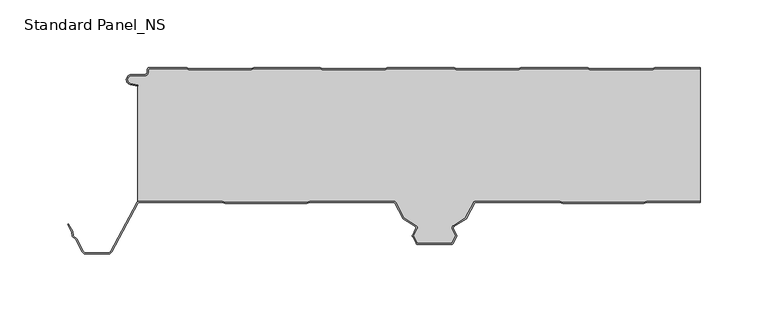
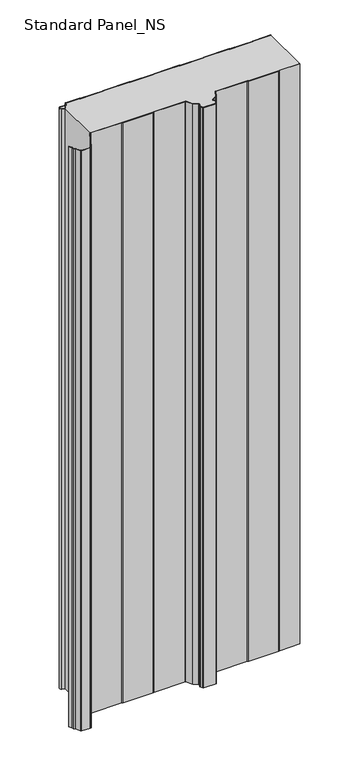
"""IFC4 building model written with IfcOpenShell, lengths in millimetres: proxy geometry, Standard Panel_NS."""

import ifcopenshell
import ifcopenshell.guid

model = None  # the IFC model being written
_history = None  # IfcOwnerHistory: only IFC2X3 demands one
_inside = {}  # id of a spatial element -> (the spatial element, [elements in it])
_under = {}  # id of a project, library or spatial element -> (it, [spatial elements below it])
_declared = {}  # id of a project -> (the project, [libraries it declares])
_typed = {}  # id of a type object -> (the type object, [elements of that type])
_made_of = {}  # id of a material, layer set ... -> (it, [elements and type objects made of it])


def new_model(schema):
    """Start an empty IFC model of exactly this schema.

    Asked for "IFC4X3", IfcOpenShell would pick the latest addendum, in which some entities
    have other attributes; the version numbers below select the first issue.
    IFC2X3 requires an IfcOwnerHistory on every rooted entity: one is made here for all.
    """
    global model, _history
    if schema == "IFC4X3":
        model = ifcopenshell.file(schema_version=(4, 3, 0, 0))
    else:
        model = ifcopenshell.file(schema=schema)
    _inside.clear()
    _under.clear()
    _declared.clear()
    _typed.clear()
    _made_of.clear()
    _history = None
    if model.schema == "IFC2X3":
        org = make("IfcOrganization", Name="unknown")
        user = make(
            "IfcPersonAndOrganization",
            ThePerson=make("IfcPerson", FamilyName="unknown"),
            TheOrganization=org,
        )
        app = make(
            "IfcApplication",
            ApplicationDeveloper=org,
            Version="unknown",
            ApplicationFullName="unknown",
            ApplicationIdentifier="unknown",
        )
        _history = make(
            "IfcOwnerHistory",
            OwningUser=user,
            OwningApplication=app,
            ChangeAction="ADDED",
            CreationDate=0,
        )
    return model


def make(cls, **values):
    """One entity of the class cls with the attributes given. An attribute that is None is left unset."""
    return model.create_entity(
        cls, **{name: value for name, value in values.items() if value is not None}
    )


def rooted(cls, **values):
    """An entity with a GlobalId (a new one), such as an element, a storey or a relation."""
    return make(cls, GlobalId=ifcopenshell.guid.new(), OwnerHistory=_history, **values)


def si_unit(unit_type, name, prefix=None):
    """IfcSIUnit, for example si_unit("LENGTHUNIT", "METRE", prefix="MILLI")."""
    return make("IfcSIUnit", UnitType=unit_type, Prefix=prefix, Name=name)


def assignment(units):
    """IfcUnitAssignment: the units of a project."""
    return None if units is None else make("IfcUnitAssignment", Units=units)


def point(xyz):
    """IfcCartesianPoint."""
    return None if xyz is None else make("IfcCartesianPoint", Coordinates=xyz)


def direction(xyz):
    """IfcDirection."""
    return None if xyz is None else make("IfcDirection", DirectionRatios=xyz)


def frame(location, z_axis=None, x_axis=None):
    """IfcAxis2Placement3D, a coordinate frame: its origin and axes. An axis left out is left unset."""
    return make(
        "IfcAxis2Placement3D",
        Location=point(location),
        Axis=direction(z_axis),
        RefDirection=direction(x_axis),
    )


def frame_2d(location, x_axis=None):
    """IfcAxis2Placement2D, a coordinate frame in the plane: its origin and x axis."""
    return make(
        "IfcAxis2Placement2D", Location=point(location), RefDirection=direction(x_axis)
    )


def origin():
    """The frame at (0, 0, 0) with its axes left unset."""
    return frame((0.0, 0.0, 0.0))


def origin_with_axes():
    """The frame at (0, 0, 0) with the z axis (0, 0, 1) and the x axis (1, 0, 0) written out."""
    return frame((0.0, 0.0, 0.0), z_axis=(0.0, 0.0, 1.0), x_axis=(1.0, 0.0, 0.0))


def place(relative_to, where):
    """IfcLocalPlacement: puts the frame where relative to a parent placement (None: the world)."""
    return make(
        "IfcLocalPlacement", PlacementRelTo=relative_to, RelativePlacement=where
    )


def context(
    kind, dimensions, precision=None, world=None, true_north=None, identifier=None
):
    """IfcGeometricRepresentationContext, for example the 3D "Model" context."""
    return make(
        "IfcGeometricRepresentationContext",
        ContextIdentifier=identifier,
        ContextType=kind,
        CoordinateSpaceDimension=dimensions,
        Precision=precision,
        WorldCoordinateSystem=world,
        TrueNorth=true_north,
    )


def project(units=None, contexts=None):
    """IfcProject with its units and contexts."""
    return rooted(
        "IfcProject",
        Name="project",
        RepresentationContexts=contexts,
        UnitsInContext=assignment(units),
    )


def spatial(cls, under=None, at=None, **own):
    """A site, building, storey or space (cls), placed at a placement, below another one or the project."""
    s = rooted(cls, ObjectPlacement=at, **own)
    if under is not None:
        _under.setdefault(under.id(), (under, []))[1].append(s)
    return s


def polyline(points):
    """IfcPolyline through the points."""
    return make("IfcPolyline", Points=[point(p) for p in points])


def circle_curve(where, radius):
    """IfcCircle in the frame where."""
    return make("IfcCircle", Position=where, Radius=radius)


def trimmed(basis, trim1, trim2, sense, master):
    """IfcTrimmedCurve: the piece of a basis curve between two trims."""
    return make(
        "IfcTrimmedCurve",
        BasisCurve=basis,
        Trim1=trim1,
        Trim2=trim2,
        SenseAgreement=sense,
        MasterRepresentation=master,
    )


def segment(curve, same_sense, transition):
    """IfcCompositeCurveSegment."""
    return make(
        "IfcCompositeCurveSegment",
        Transition=transition,
        SameSense=same_sense,
        ParentCurve=curve,
    )


def composite_curve(segments, self_intersect=None):
    """IfcCompositeCurve: segments joined end to end."""
    return make("IfcCompositeCurve", Segments=segments, SelfIntersect=self_intersect)


def outline(outer, holes=None, kind="AREA"):
    """IfcArbitraryClosedProfileDef: a profile drawn as a closed curve; with holes, ...WithVoids."""
    if holes is None:
        return make("IfcArbitraryClosedProfileDef", ProfileType=kind, OuterCurve=outer)
    return make(
        "IfcArbitraryProfileDefWithVoids",
        ProfileType=kind,
        OuterCurve=outer,
        InnerCurves=holes,
    )


def extrude(swept, where, along, depth):
    """IfcExtrudedAreaSolid: the profile swept, set in the frame where, extruded along a direction by depth."""
    return make(
        "IfcExtrudedAreaSolid",
        SweptArea=swept,
        Position=where,
        ExtrudedDirection=direction(along),
        Depth=depth,
    )


def shape(context_of_items, identifier, shape_type, items):
    """IfcShapeRepresentation: the items that make up one representation, for example the "Body"."""
    return make(
        "IfcShapeRepresentation",
        ContextOfItems=context_of_items,
        RepresentationIdentifier=identifier,
        RepresentationType=shape_type,
        Items=items,
    )


def source(mapping_origin, context_of_items, identifier, shape_type, items):
    """IfcRepresentationMap: a shape defined once, which mapped items show again and again."""
    return make(
        "IfcRepresentationMap",
        MappingOrigin=mapping_origin,
        MappedRepresentation=shape(context_of_items, identifier, shape_type, items),
    )


def transform(
    local_origin,
    x_axis=None,
    y_axis=None,
    z_axis=None,
    scale=None,
    scale2=None,
    scale3=None,
    uniform=True,
):
    """IfcCartesianTransformationOperator3D, or its non-uniform kind. x_axis, y_axis, z_axis: its Axis1, 2, 3."""
    if uniform:
        return make(
            "IfcCartesianTransformationOperator3D",
            Axis1=direction(x_axis),
            Axis2=direction(y_axis),
            LocalOrigin=point(local_origin),
            Scale=scale,
            Axis3=direction(z_axis),
        )
    return make(
        "IfcCartesianTransformationOperator3DnonUniform",
        Axis1=direction(x_axis),
        Axis2=direction(y_axis),
        LocalOrigin=point(local_origin),
        Scale=scale,
        Axis3=direction(z_axis),
        Scale2=scale2,
        Scale3=scale3,
    )


def mapped(mapping_source, mapping_target):
    """IfcMappedItem: shows the shape of a source again, moved by a transform."""
    return make(
        "IfcMappedItem", MappingSource=mapping_source, MappingTarget=mapping_target
    )


def made_of(thing, what):
    """Note that an element or type object is made of a material, layer set ...; save() writes the relation."""
    if what is not None:
        _made_of.setdefault(what.id(), (what, []))[1].append(thing)
    return thing


def element(
    cls,
    number,
    at=None,
    inside=None,
    cuts=None,
    type_object=None,
    material=None,
    context=None,
    identifier="Body",
    shape_type=None,
    held_by="IfcProductDefinitionShape",
    body=None,
    shapes=None,
    **own,
):
    """One element of the class cls, such as IfcWall. Its Tag is "e" and its number.

    at: its placement. inside: the storey or other place that contains it. cuts: it is an
    opening in that element (IfcRelVoidsElement). A single representation is given by context,
    identifier, shape_type and body (its items); several are given by shapes. held_by: the class
    of the entity that holds the representations. save() writes the other relations.
    """
    e = rooted(cls, Tag="e%d" % number, ObjectPlacement=at, **own)
    if body is not None:
        shapes = [shape(context, identifier, shape_type, body)]
    if shapes is not None:
        e.Representation = make(held_by, Representations=shapes)
    if inside is not None:
        _inside.setdefault(inside.id(), (inside, []))[1].append(e)
    if cuts is not None:
        rooted(
            "IfcRelVoidsElement", RelatingBuildingElement=cuts, RelatedOpeningElement=e
        )
    if type_object is not None:
        _typed.setdefault(type_object.id(), (type_object, []))[1].append(e)
    return made_of(e, material)


def aggregate(whole, parts):
    """IfcRelAggregates: a whole, such as a stair, and the parts it consists of."""
    return rooted("IfcRelAggregates", RelatingObject=whole, RelatedObjects=parts)


def save(model, path):
    """Write the relations noted so far, then the file.

    IfcRelAggregates (storeys below a building ...), IfcRelContainedInSpatialStructure (elements
    in a storey), IfcRelDefinesByType, IfcRelAssociatesMaterial and IfcRelDeclares: one each for
    every whole, place, type object, material and project.
    """
    for whole, parts in _under.values():
        aggregate(whole, parts)
    for where, things in _inside.values():
        rooted(
            "IfcRelContainedInSpatialStructure",
            RelatedElements=things,
            RelatingStructure=where,
        )
    for kind, things in _typed.values():
        rooted("IfcRelDefinesByType", RelatedObjects=things, RelatingType=kind)
    for what, things in _made_of.values():
        rooted("IfcRelAssociatesMaterial", RelatedObjects=things, RelatingMaterial=what)
    for by, libraries in _declared.values():
        rooted("IfcRelDeclares", RelatingContext=by, RelatedDefinitions=libraries)
    model.write(path)


def standard_panel_ns_b9d39c87(model_context):
    return source(origin(), model_context, "Body", "SweptSolid", [
        extrude(outline(composite_curve([segment(polyline([(189.9831604, 0.0), (223.9042607, 0.0), (223.9042607, -0.8), (190.1930584, -0.8), (188.4185569, -1.8), (141.9945958, -1.8), (140.262545, -0.8), (91.1930584, -0.8), (89.4185569, -1.8), (42.9945958, -1.8), (41.262545, -0.8), (-7.8087363, -0.8), (-9.5407871, -1.8), (-56.0054042, -1.8), (-57.737455, -0.786297), (-106.8069416, -0.786297), (-108.5814431, -1.786297), (-155.0054042, -1.786297), (-156.737455, -0.786297), (-183.7507504, -0.786297)]), True, "CONTINUOUS"), segment(trimmed(circle_curve(frame_2d((-183.7507504, -2.036297)), 1.25), [point((-183.7507504, -0.786297))], [point((-185.0007504, -2.036297))], True, "CARTESIAN"), True, "CONTINUOUS"), segment(polyline([(-185.0007504, -2.036297), (-185.0007504, -3.436297)]), True, "CONTINUOUS"), segment(trimmed(circle_curve(frame_2d((-187.7507504, -3.436297)), 2.75), [point((-185.0007504, -3.436297))], [point((-187.7507504, -6.186297))], False, "CARTESIAN"), True, "CONTINUOUS"), segment(polyline([(-187.7507504, -6.186297), (-197.5507504, -6.186297)]), True, "CONTINUOUS"), segment(trimmed(circle_curve(frame_2d((-197.5507504, -9.036297)), 2.85), [point((-197.5507504, -6.186297))], [point((-198.1918609, -11.8132517))], True, "CARTESIAN"), True, "CONTINUOUS"), segment(polyline([(-198.1918609, -11.8132517), (-192.7486452, -13.0699171), (-192.9286061, -13.8494131), (-198.3718217, -12.5927478)]), True, "CONTINUOUS"), segment(trimmed(circle_curve(frame_2d((-197.5507504, -9.036297)), 3.65), [point((-198.3718217, -12.5927478))], [point((-197.5507504, -5.386297))], False, "CARTESIAN"), True, "CONTINUOUS"), segment(polyline([(-197.5507504, -5.386297), (-187.7507504, -5.386297)]), True, "CONTINUOUS"), segment(trimmed(circle_curve(frame_2d((-187.7507504, -3.436297)), 1.95), [point((-187.7507504, -5.386297))], [point((-185.8007504, -3.436297))], True, "CARTESIAN"), True, "CONTINUOUS"), segment(polyline([(-185.8007504, -3.436297), (-185.8007504, -2.036297)]), True, "CONTINUOUS"), segment(trimmed(circle_curve(frame_2d((-183.7507504, -2.036297)), 2.05), [point((-185.8007504, -2.036297))], [point((-183.7507504, 0.013703))], False, "CARTESIAN"), True, "CONTINUOUS"), segment(polyline([(-183.7507504, 0.013703), (-156.5230957, 0.013703), (-154.7910449, -0.986297), (-108.7913411, -0.986297), (-107.0168396, 0.013703), (-57.5230957, 0.013703), (-55.7910449, -1.0), (-9.7551465, -1.0), (-8.0230957, 0.0), (41.4769043, 0.0), (43.2089551, -1.0), (89.2086589, -1.0), (90.9831604, 0.0), (140.4769043, 0.0), (142.2089551, -1.0), (188.2086589, -1.0), (189.9831604, 0.0)]), True, "CONTINUOUS")], self_intersect=False)), origin_with_axes(), (0.0, 0.0, 1.0), 1219.2),
        extrude(outline(composite_curve([segment(trimmed(circle_curve(frame_2d((-191.3607504, -101.75)), 1.75), [point((-191.3607504, -100.0))], [point((-192.9059087, -100.9284248))], True, "CARTESIAN"), True, "CONTINUOUS"), segment(polyline([(-192.9059087, -100.9284248), (-212.0091432, -136.8563836)]), True, "CONTINUOUS"), segment(trimmed(circle_curve(frame_2d((-214.5255439, -135.5183897)), 2.85), [point((-212.0091432, -136.8563836))], [point((-214.5255439, -138.3683897))], False, "CARTESIAN"), True, "CONTINUOUS"), segment(polyline([(-214.5255439, -138.3683897), (-231.2663514, -138.3683897)]), True, "CONTINUOUS"), segment(trimmed(circle_curve(frame_2d((-231.2663514, -135.5183897)), 2.85), [point((-231.2663514, -138.3683897))], [point((-233.782752, -136.8563836))], False, "CARTESIAN"), True, "CONTINUOUS"), segment(polyline([(-233.782752, -136.8563836), (-238.6671014, -127.6702585), (-241.084649, -125.3708693), (-241.6820111, -122.000038), (-244.7505404, -116.2289737), (-244.0441824, -115.8533964), (-240.9163332, -121.7360251), (-240.3428004, -124.9723908), (-238.0216911, -127.1800551), (-233.076394, -136.4808064)]), True, "CONTINUOUS"), segment(trimmed(circle_curve(frame_2d((-231.2663514, -135.5183897)), 2.05), [point((-233.076394, -136.4808064))], [point((-231.2663514, -137.5683897))], True, "CARTESIAN"), True, "CONTINUOUS"), segment(polyline([(-231.2663514, -137.5683897), (-214.5255439, -137.5683897)]), True, "CONTINUOUS"), segment(trimmed(circle_curve(frame_2d((-214.5255439, -135.5183897)), 2.05), [point((-214.5255439, -137.5683897))], [point((-212.7155013, -136.4808064))], True, "CARTESIAN"), True, "CONTINUOUS"), segment(polyline([(-212.7155013, -136.4808064), (-193.6122667, -100.5528475)]), True, "CONTINUOUS"), segment(trimmed(circle_curve(frame_2d((-191.3607504, -101.75)), 2.55), [point((-193.6122667, -100.5528475))], [point((-191.3607504, -99.2))], False, "CARTESIAN"), True, "CONTINUOUS"), segment(polyline([(-191.3607504, -99.2), (-130.0661789, -99.2), (-127.6845456, -100.1683897), (-67.8932049, -100.1683897), (-65.5115715, -99.2), (-3.3723047, -99.2)]), True, "CONTINUOUS"), segment(trimmed(circle_curve(frame_2d((-3.3750906, -100.9999978)), 1.8), [point((-3.3723047, -99.2))], [point((-1.7857934, -100.1549332))], False, "CARTESIAN"), True, "CONTINUOUS"), segment(polyline([(-1.7857934, -100.1549332), (4.3386275, -111.6730163), (13.3220194, -117.3606338)]), True, "CONTINUOUS"), segment(trimmed(circle_curve(frame_2d((12.3591509, -118.8814507)), 1.8), [point((13.3220194, -117.3606338))], [point((13.9681734, -119.6883253))], False, "CARTESIAN"), True, "CONTINUOUS"), segment(polyline([(13.9681734, -119.6883253), (11.3711036, -124.8672514), (14.3485893, -130.4669529), (39.8425575, -130.4669529), (42.8256576, -124.8564238), (40.2338477, -119.6882431)]), True, "CONTINUOUS"), segment(trimmed(circle_curve(frame_2d((41.8428542, -118.8813366)), 1.8), [point((40.2338477, -119.6882431))], [point((40.8799555, -117.3605387))], False, "CARTESIAN"), True, "CONTINUOUS"), segment(polyline([(40.8799555, -117.3605387), (49.8465774, -111.6832892), (55.9762236, -100.1548264)]), True, "CONTINUOUS"), segment(trimmed(circle_curve(frame_2d((57.5653038, -100.9997352)), 1.7997352), [point((55.9762236, -100.1548264))], [point((57.5653038, -99.2))], False, "CARTESIAN"), True, "CONTINUOUS"), segment(polyline([(57.5653038, -99.2), (119.7028683, -99.2), (122.0845088, -100.1683897), (181.8758496, -100.1683897), (184.2574895, -99.2), (223.9042607, -99.2), (223.9042607, -100.0), (184.4139138, -100.0), (182.032274, -100.9683897), (121.9280844, -100.9683897), (119.546444, -99.9999999), (57.5653038, -99.9999999)]), True, "CONTINUOUS"), segment(trimmed(circle_curve(frame_2d((57.5653038, -100.9997352)), 0.9997353), [point((57.5653038, -99.9999999))], [point((56.6825853, -100.5303966))], True, "CARTESIAN"), True, "CONTINUOUS"), segment(polyline([(56.6825853, -100.5303966), (50.4534972, -112.2458871), (41.3079104, -118.0364489)]), True, "CONTINUOUS"), segment(trimmed(circle_curve(frame_2d((41.8428542, -118.8813366)), 1.0), [point((41.3079104, -118.0364489))], [point((40.9489617, -119.329618))], True, "CARTESIAN"), True, "CONTINUOUS"), segment(polyline([(40.9489617, -119.329618), (43.4944639, -124.4054592)]), True, "CONTINUOUS"), segment(trimmed(circle_curve(frame_2d((42.6005714, -124.8537406)), 1.0), [point((43.4944639, -124.4054592))], [point((43.4835237, -125.3232034))], False, "CARTESIAN"), True, "CONTINUOUS"), segment(polyline([(43.4835237, -125.3232034), (40.7463788, -130.4711471)]), True, "CONTINUOUS"), segment(trimmed(circle_curve(frame_2d((39.4219504, -129.7669529)), 1.5), [point((40.7463788, -130.4711471))], [point((39.4219504, -131.2669529))], False, "CARTESIAN"), True, "CONTINUOUS"), segment(polyline([(39.4219504, -131.2669529), (14.7964212, -131.2669529)]), True, "CONTINUOUS"), segment(trimmed(circle_curve(frame_2d((14.7693172, -129.7671978)), 1.5), [point((14.7964212, -131.2669529))], [point((13.4449029, -130.4714183))], False, "CARTESIAN"), True, "CONTINUOUS"), segment(polyline([(13.4449029, -130.4714183), (10.7132468, -125.3340441)]), True, "CONTINUOUS"), segment(trimmed(circle_curve(frame_2d((11.5961897, -124.8645637)), 1.0), [point((10.7132468, -125.3340441))], [point((10.7022883, -124.4163001))], False, "CARTESIAN"), True, "CONTINUOUS"), segment(polyline([(10.7022883, -124.4163001), (13.2530523, -119.3297144)]), True, "CONTINUOUS"), segment(trimmed(circle_curve(frame_2d((12.3591509, -118.8814507)), 1.0), [point((13.2530523, -119.3297144))], [point((12.8940779, -118.0365524))], True, "CARTESIAN"), True, "CONTINUOUS"), segment(polyline([(12.8940779, -118.0365524), (3.7317189, -112.2356263), (-2.4921477, -100.5305175)]), True, "CONTINUOUS"), segment(trimmed(circle_curve(frame_2d((-3.3750906, -100.9999978)), 1.0), [point((-2.4921477, -100.5305175))], [point((-3.3730141, -100.0))], True, "CARTESIAN"), True, "CONTINUOUS"), segment(polyline([(-3.3730141, -100.0), (-65.3551468, -100.0), (-67.7367801, -100.9683897), (-127.8409703, -100.9683897), (-130.2226037, -100.0), (-191.3607504, -100.0)]), True, "CONTINUOUS")], self_intersect=False)), origin_with_axes(), (0.0, 0.0, 1.0), 1219.2),
        extrude(outline(composite_curve([segment(trimmed(circle_curve(frame_2d((-191.3607504, -101.75)), 2.55), [point((-191.3607504, -99.2))], [point((-192.7486452, -99.6107833))], True, "CARTESIAN"), True, "CONTINUOUS"), segment(polyline([(-192.7486452, -99.6107833), (-192.7486452, -13.0699171), (-198.1918609, -11.8132517)]), True, "CONTINUOUS"), segment(trimmed(circle_curve(frame_2d((-197.5507504, -9.036297)), 2.85), [point((-198.1918609, -11.8132517))], [point((-197.5507504, -6.186297))], False, "CARTESIAN"), True, "CONTINUOUS"), segment(polyline([(-197.5507504, -6.186297), (-187.7507504, -6.186297)]), True, "CONTINUOUS"), segment(trimmed(circle_curve(frame_2d((-187.7507504, -3.436297)), 2.75), [point((-187.7507504, -6.186297))], [point((-185.0007504, -3.436297))], True, "CARTESIAN"), True, "CONTINUOUS"), segment(polyline([(-185.0007504, -3.436297), (-185.0007504, -2.036297)]), True, "CONTINUOUS"), segment(trimmed(circle_curve(frame_2d((-183.7507504, -2.036297)), 1.25), [point((-185.0007504, -2.036297))], [point((-183.7507504, -0.786297))], False, "CARTESIAN"), True, "CONTINUOUS"), segment(polyline([(-183.7507504, -0.786297), (-156.737455, -0.786297), (-155.0054042, -1.786297), (-108.5814431, -1.786297), (-106.8069416, -0.786297), (-57.737455, -0.786297), (-56.0054042, -1.8), (-9.5407871, -1.8), (-7.8087363, -0.8), (41.262545, -0.8), (42.9945958, -1.8), (89.4185569, -1.8), (91.1930584, -0.8), (140.262545, -0.8), (141.9945958, -1.8), (188.4185569, -1.8), (190.1930584, -0.8), (223.9042607, -0.8), (223.9042607, -99.2), (184.2574895, -99.2), (181.8758496, -100.1683897), (122.0845088, -100.1683897), (119.7028683, -99.2), (57.5653038, -99.2)]), True, "CONTINUOUS"), segment(trimmed(circle_curve(frame_2d((57.5653038, -100.9997352)), 1.7997352), [point((57.5653038, -99.2))], [point((55.9762236, -100.1548264))], True, "CARTESIAN"), True, "CONTINUOUS"), segment(polyline([(55.9762236, -100.1548264), (49.8465774, -111.6832892), (40.8799555, -117.3605387)]), True, "CONTINUOUS"), segment(trimmed(circle_curve(frame_2d((41.8428542, -118.8813366)), 1.8), [point((40.8799555, -117.3605387))], [point((40.2338477, -119.6882431))], True, "CARTESIAN"), True, "CONTINUOUS"), segment(polyline([(40.2338477, -119.6882431), (42.8256576, -124.8564238), (39.8425575, -130.4669529), (14.3485893, -130.4669529), (11.3711036, -124.8672514), (13.9681734, -119.6883253)]), True, "CONTINUOUS"), segment(trimmed(circle_curve(frame_2d((12.3591509, -118.8814507)), 1.8), [point((13.9681734, -119.6883253))], [point((13.3220194, -117.3606338))], True, "CARTESIAN"), True, "CONTINUOUS"), segment(polyline([(13.3220194, -117.3606338), (4.3386275, -111.6730163), (-1.7857934, -100.1549332)]), True, "CONTINUOUS"), segment(trimmed(circle_curve(frame_2d((-3.3750906, -100.9999978)), 1.8), [point((-1.7857934, -100.1549332))], [point((-3.3723047, -99.2))], True, "CARTESIAN"), True, "CONTINUOUS"), segment(polyline([(-3.3723047, -99.2), (-65.5115715, -99.2), (-67.8932049, -100.1683897), (-127.6845456, -100.1683897), (-130.0661789, -99.2), (-191.3607504, -99.2)]), True, "CONTINUOUS")], self_intersect=False)), origin_with_axes(), (0.0, 0.0, 1.0), 1219.2),
    ])


if __name__ == "__main__":
    model = new_model("IFC4")
    model_context = context("Model", 3, world=origin())
    ifc_project = project(units=[si_unit("LENGTHUNIT", "METRE", prefix="MILLI")], contexts=[model_context])
    site = spatial("IfcSite", under=ifc_project)
    building = spatial("IfcBuilding", under=site)
    placement = place(None, origin())
    standard_panel_ns_shape = standard_panel_ns_b9d39c87(model_context)
    element("IfcBuildingElementProxy", 1, Name="Standard Panel_NS", ObjectType="Standard Panel_NS", at=placement, inside=building, context=model_context, shape_type="MappedRepresentation", body=[
        mapped(standard_panel_ns_shape, transform((0.0, 0.0, 0.0), x_axis=(1.0, 0.0, 0.0), y_axis=(0.0, 1.0, 0.0), z_axis=(0.0, 0.0, 1.0))),
    ])
    save(model, "model.ifc")
